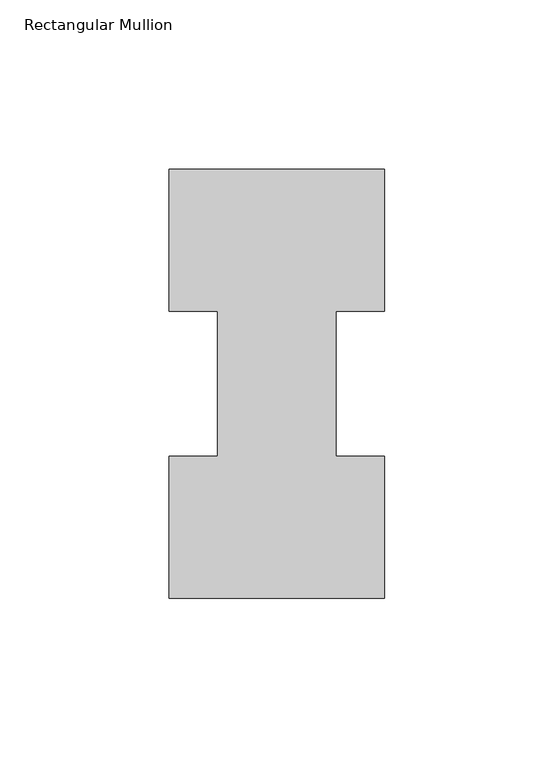
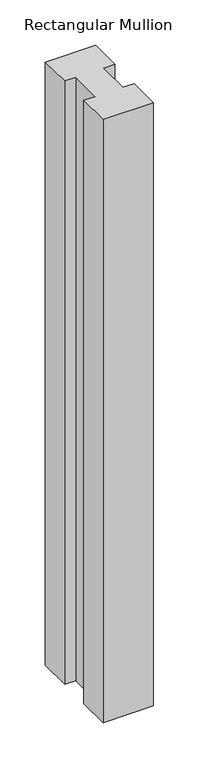
"""IFC4 building model written with IfcOpenShell, lengths in millimetres: member geometry, Rectangular Mullion."""

from ifc_helpers import new_model, si_unit, frame, origin, place, context, project, spatial, polyline, outline, extrude, source, transform, mapped, element, save


def rectangular_mullion_47170cb8(model_context):
    return source(origin(), model_context, "Body", "SweptSolid", [
        extrude(outline(polyline([(-63.5, 0.26035), (-63.5, 42.08145), (-49.2125, 42.08145), (-49.2125, 84.93125), (-63.5, 84.93125), (-63.5, 126.75235), (0.0, 126.75235), (0.0, 84.93125), (-14.2748, 84.93125), (-14.2748, 42.08145), (0.0, 42.08145), (0.0, 0.26035), (-63.5, 0.26035)])), frame((0.0, 0.0, -809.6247287), z_axis=(0.0, 0.0, 1.0), x_axis=(1.0, 0.0, 0.0)), (0.0, 0.0, 1.0), 809.6247287),
    ])


if __name__ == "__main__":
    model = new_model("IFC4")
    model_context = context("Model", 3, world=origin())
    ifc_project = project(units=[si_unit("LENGTHUNIT", "METRE", prefix="MILLI")], contexts=[model_context])
    site = spatial("IfcSite", under=ifc_project)
    building = spatial("IfcBuilding", under=site)
    placement = place(None, origin())
    rectangular_mullion_shape = rectangular_mullion_47170cb8(model_context)
    element("IfcMember", 1, ObjectType="Rectangular Mullion", at=placement, inside=building, context=model_context, shape_type="MappedRepresentation", body=[
        mapped(rectangular_mullion_shape, transform((0.0, 0.0, 0.0), x_axis=(1.0, 0.0, 0.0), y_axis=(0.0, 1.0, 0.0), z_axis=(0.0, 0.0, 1.0))),
    ])
    save(model, "model.ifc")
